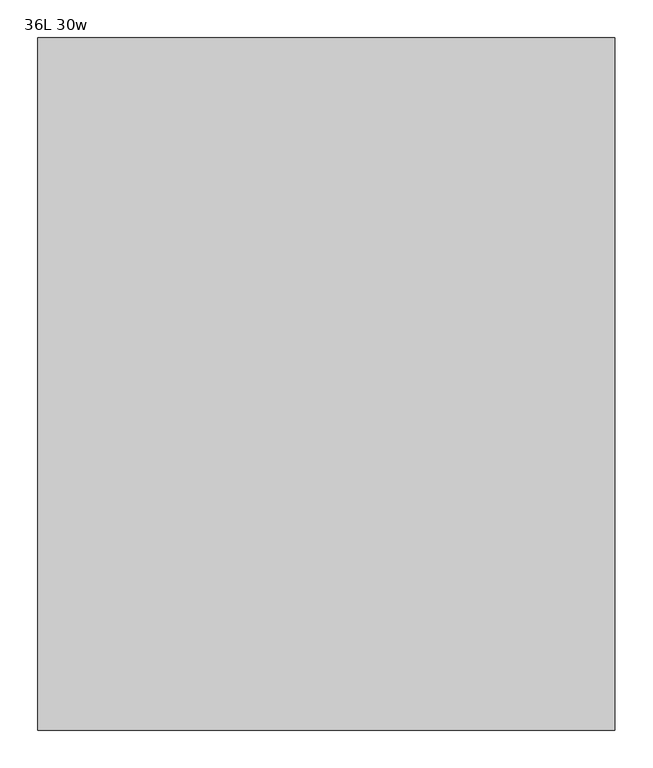
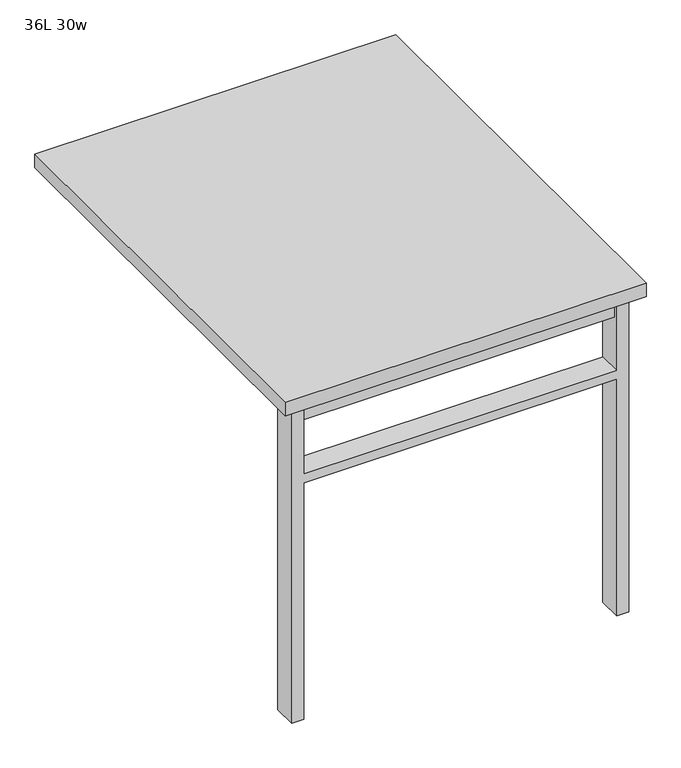
"""IFC4 building model written with IfcOpenShell, lengths in millimetres: furniture geometry, 36L 30w."""

from ifc_helpers import new_model, si_unit, frame, origin, place, context, project, spatial, polyline, outline, extrude, source, transform, mapped, element, save


def furniture_36l_30w_a3beba87(model_context):
    return source(origin(), model_context, "Body", "SweptSolid", [
        extrude(outline(polyline([(-330.2, -396.875), (330.2, -396.875), (330.2, -428.625), (-330.2, -428.625), (-330.2, -396.875)])), frame((0.0, 0.0, 661.9875), z_axis=(0.0, 0.0, 1.0), x_axis=(1.0, 0.0, 0.0)), (0.0, 0.0, 1.0), 44.45),
        extrude(outline(polyline([(528.6375, 330.2), (0.0, 330.2), (0.0, 355.6), (706.4375, 355.6), (706.4375, 330.2), (547.6875, 330.2), (547.6875, -330.2), (706.4375, -330.2), (706.4375, -355.6), (0.0, -355.6), (0.0, -330.2), (528.6375, -330.2), (528.6375, 330.2)])), frame((0.0, -438.15, 0.0), z_axis=(0.0, 1.0, 0.0), x_axis=(0.0, 0.0, 1.0)), (0.0, 0.0, 1.0), 50.8),
        extrude(outline(polyline([(-381.0, -457.2), (-381.0, 457.2), (381.0, 457.2), (381.0, -457.2), (-381.0, -457.2)])), frame((0.0, 0.0, 706.4375), z_axis=(0.0, 0.0, 1.0), x_axis=(1.0, 0.0, 0.0)), (0.0, 0.0, 1.0), 30.1625),
    ])


if __name__ == "__main__":
    model = new_model("IFC4")
    model_context = context("Model", 3, world=origin())
    ifc_project = project(units=[si_unit("LENGTHUNIT", "METRE", prefix="MILLI")], contexts=[model_context])
    site = spatial("IfcSite", under=ifc_project)
    building = spatial("IfcBuilding", under=site)
    placement = place(None, origin())
    furniture_36l_30w_shape = furniture_36l_30w_a3beba87(model_context)
    element("IfcFurniture", 1, ObjectType="36L 30w", at=placement, inside=building, context=model_context, shape_type="MappedRepresentation", body=[
        mapped(furniture_36l_30w_shape, transform((0.0, 0.0, 0.0), x_axis=(1.0, 0.0, 0.0), y_axis=(0.0, 1.0, 0.0), z_axis=(0.0, 0.0, 1.0))),
    ])
    save(model, "model.ifc")
